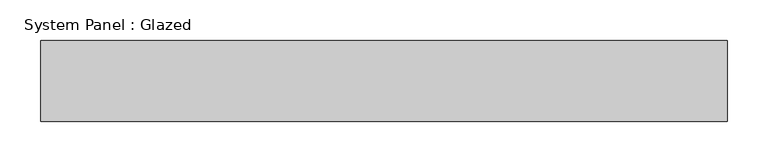
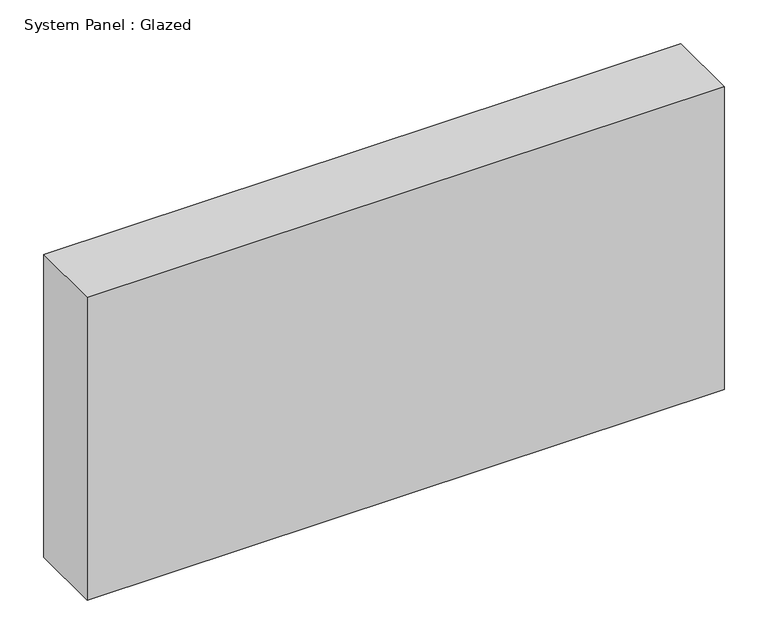
"""IFC4 building model written with IfcOpenShell, lengths in millimetres: plate geometry, System Panel : Glazed."""

from ifc_helpers import new_model, si_unit, origin, origin_with_axes, place, context, project, spatial, polyline, outline, extrude, source, transform, mapped, element, save


def system_panel_glazed_d1fe66d2(model_context):
    return source(origin(), model_context, "Body", "SweptSolid", [
        extrude(outline(polyline([(423.0, 50.0), (-423.0, 50.0), (-423.0, 150.0), (423.0, 150.0), (423.0, 50.0)])), origin_with_axes(), (0.0, 0.0, 1.0), 425.0),
    ])


if __name__ == "__main__":
    model = new_model("IFC4")
    model_context = context("Model", 3, world=origin())
    ifc_project = project(units=[si_unit("LENGTHUNIT", "METRE", prefix="MILLI")], contexts=[model_context])
    site = spatial("IfcSite", under=ifc_project)
    building = spatial("IfcBuilding", under=site)
    placement = place(None, origin())
    system_panel_glazed_shape = system_panel_glazed_d1fe66d2(model_context)
    element("IfcPlate", 1, ObjectType="System Panel : Glazed", at=placement, inside=building, context=model_context, shape_type="MappedRepresentation", body=[
        mapped(system_panel_glazed_shape, transform((0.0, 0.0, 0.0), x_axis=(1.0, 0.0, 0.0), y_axis=(0.0, 1.0, 0.0), z_axis=(0.0, 0.0, 1.0))),
    ])
    save(model, "model.ifc")
